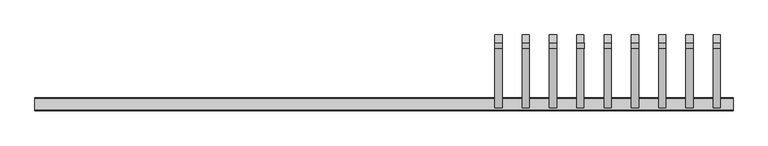
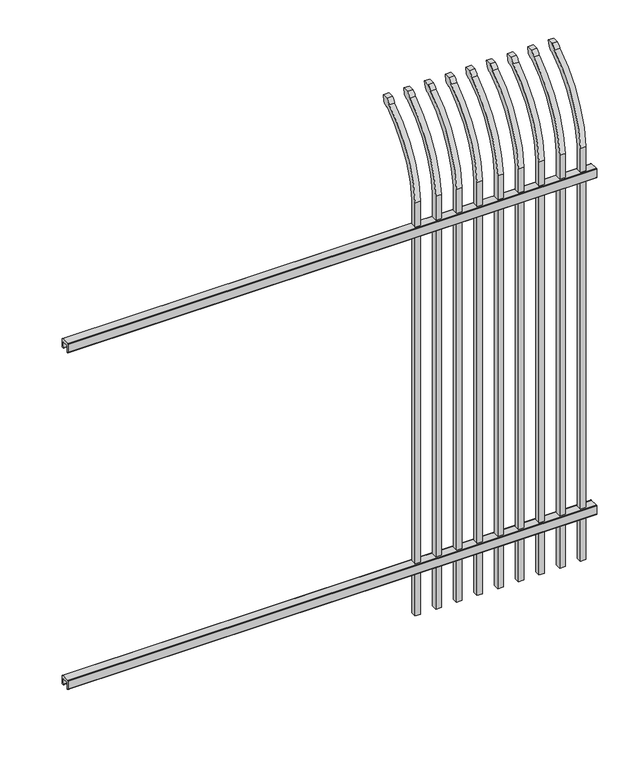
"""IFC4 building model written with IfcOpenShell, lengths in millimetres: railing geometry."""

from ifc_helpers import new_model, si_unit, point, frame, frame_2d, origin, place, context, project, spatial, polyline, circle_curve, ellipse_curve, trimmed, segment, composite_curve, outline, extrude, source, transform, mapped, element, save
from ifc_brep_helpers import plane_surface, cylinder_surface, revolved_surface, extruded_surface, advanced_brep


def railing_4a607707(model_context):
    return source(origin(), model_context, "Body", "SolidModel", [
        extrude(outline(composite_curve([segment(polyline([(11873.9139761, 304.8), (11911.969541, 304.8)]), True, "CONTINUOUS"), segment(trimmed(circle_curve(frame_2d((11911.969541, 301.625)), 3.175), [point((11911.969541, 304.8))], [point((11915.144541, 301.625))], False, "CARTESIAN"), True, "CONTINUOUS"), segment(polyline([(11915.144541, 301.625), (11915.144541, 262.1439893)]), True, "CONTINUOUS"), segment(trimmed(circle_curve(frame_2d((11913.3505518, 262.1439893)), 1.7939893), [point((11915.144541, 262.1439893))], [point((11913.3505518, 260.35))], False, "CARTESIAN"), True, "CONTINUOUS"), segment(polyline([(11913.3505518, 260.35), (11910.7590713, 260.35)]), True, "CONTINUOUS"), segment(trimmed(circle_curve(frame_2d((11910.7590713, 262.1359375)), 1.7859375), [point((11910.7590713, 260.35))], [point((11908.9755813, 262.0424688))], False, "CARTESIAN"), True, "CONTINUOUS"), segment(polyline([(11908.9755813, 262.0424688), (11907.4025867, 292.0569942), (11878.4364954, 292.0569942), (11876.8635007, 262.0424688)]), True, "CONTINUOUS"), segment(trimmed(circle_curve(frame_2d((11875.0800108, 262.1359375)), 1.7859375), [point((11876.8635007, 262.0424688))], [point((11875.0800108, 260.35))], False, "CARTESIAN"), True, "CONTINUOUS"), segment(polyline([(11875.0800108, 260.35), (11872.4804785, 260.35)]), True, "CONTINUOUS"), segment(trimmed(circle_curve(frame_2d((11872.4804785, 262.1359375)), 1.7859375), [point((11872.4804785, 260.35))], [point((11870.694541, 262.1359375))], False, "CARTESIAN"), True, "CONTINUOUS"), segment(polyline([(11870.694541, 262.1359375), (11870.694541, 301.5805649)]), True, "CONTINUOUS"), segment(trimmed(circle_curve(frame_2d((11873.9139761, 301.5805649)), 3.2194351), [point((11870.694541, 301.5805649))], [point((11873.9139761, 304.8))], False, "CARTESIAN"), True, "CONTINUOUS")], self_intersect=False)), frame((20019.7350064, 0.0, 0.0), z_axis=(1.0, 0.0, 0.0), x_axis=(0.0, 1.0, 0.0)), (0.0, 0.0, 1.0), 2438.4),
        extrude(outline(composite_curve([segment(polyline([(11873.9139761, 1946.275), (11911.969541, 1946.275)]), True, "CONTINUOUS"), segment(trimmed(circle_curve(frame_2d((11911.969541, 1943.1)), 3.175), [point((11911.969541, 1946.275))], [point((11915.144541, 1943.1))], False, "CARTESIAN"), True, "CONTINUOUS"), segment(polyline([(11915.144541, 1943.1), (11915.144541, 1903.6189893)]), True, "CONTINUOUS"), segment(trimmed(circle_curve(frame_2d((11913.3505518, 1903.6189893)), 1.7939893), [point((11915.144541, 1903.6189893))], [point((11913.3505518, 1901.825))], False, "CARTESIAN"), True, "CONTINUOUS"), segment(polyline([(11913.3505518, 1901.825), (11910.7590713, 1901.825)]), True, "CONTINUOUS"), segment(trimmed(circle_curve(frame_2d((11910.7590713, 1903.6109375)), 1.7859375), [point((11910.7590713, 1901.825))], [point((11908.9755813, 1903.5174688))], False, "CARTESIAN"), True, "CONTINUOUS"), segment(polyline([(11908.9755813, 1903.5174688), (11907.4025867, 1933.5319942), (11878.4364954, 1933.5319942), (11876.8635007, 1903.5174688)]), True, "CONTINUOUS"), segment(trimmed(circle_curve(frame_2d((11875.0800108, 1903.6109375)), 1.7859375), [point((11876.8635007, 1903.5174688))], [point((11875.0800108, 1901.825))], False, "CARTESIAN"), True, "CONTINUOUS"), segment(polyline([(11875.0800108, 1901.825), (11872.4804785, 1901.825)]), True, "CONTINUOUS"), segment(trimmed(circle_curve(frame_2d((11872.4804785, 1903.6109375)), 1.7859375), [point((11872.4804785, 1901.825))], [point((11870.694541, 1903.6109375))], False, "CARTESIAN"), True, "CONTINUOUS"), segment(polyline([(11870.694541, 1903.6109375), (11870.694541, 1943.0555649)]), True, "CONTINUOUS"), segment(trimmed(circle_curve(frame_2d((11873.9139761, 1943.0555649)), 3.2194351), [point((11870.694541, 1943.0555649))], [point((11873.9139761, 1946.275))], False, "CARTESIAN"), True, "CONTINUOUS")], self_intersect=False)), frame((20019.7350064, 0.0, 0.0), z_axis=(1.0, 0.0, 0.0), x_axis=(0.0, 1.0, 0.0)), (0.0, 0.0, 1.0), 2438.4),
        advanced_brep(
        [(22413.6850064, 11905.619541, 50.8), (22413.6850064, 11905.619541, 2063.9226889), (22413.6850064, 12102.7326851, 2396.1022378), (22413.6850064, 12129.2407099, 2410.7867549), (22413.6850064, 12135.1100864, 2438.4), (22413.6850064, 12106.8799449, 2438.4), (22413.6850064, 12087.4931591, 2417.4682561), (22413.6850064, 11880.219541, 2063.9226889), (22413.6850064, 11880.219541, 50.8), (22388.2850064, 11905.619541, 50.8), (22388.2850064, 11905.619541, 2063.9226889), (22388.2850064, 11880.219541, 2063.9226889), (22388.2850064, 11880.219541, 50.8), (22388.2850064, 12087.4931591, 2417.4682561), (22388.2850064, 12106.8799449, 2438.4), (22388.2850064, 12135.1100864, 2438.4), (22388.2850064, 12129.2407099, 2410.7867549), (22388.2850064, 12102.7326851, 2396.1022378)],
        [
            (0, 1),
            (1, 2, circle_curve(frame((22413.6850064, 12342.9874207, 2028.9640776), z_axis=(-1.0, 0.0, 0.0), x_axis=(0.0, 1.0, 0.0)), 438.7627681)),
            (2, 3, ellipse_curve(frame((22413.6850064, 12110.5579376, 2418.5180619), z_axis=(1.0, 0.0, 0.0), x_axis=(0.0, -0.7771459614569752, -0.6293203910498321)), 26.7460194, 19.05)),
            (3, 4),
            (4, 5),
            (5, 6, ellipse_curve(frame((22413.6850064, 12110.5579376, 2418.5180619), z_axis=(1.0, 0.0, 0.0), x_axis=(0.0, -0.7771459614569761, -0.6293203910498311)), 26.7460194, 19.05)),
            (6, 7, circle_curve(frame((22413.6850064, 12342.0333244, 2030.7065933), z_axis=(1.0, 0.0, 0.0), x_axis=(0.0, 1.0, 0.0)), 463.0067812)),
            (7, 8),
            (8, 0),
            (0, 9),
            (9, 10),
            (10, 1),
            (7, 11),
            (11, 12),
            (12, 8),
            (12, 9),
            (11, 13, circle_curve(frame((22388.2850064, 12342.0333244, 2030.7065933), z_axis=(-1.0, 0.0, 0.0), x_axis=(0.0, 1.0, 0.0)), 463.0067812)),
            (13, 14, ellipse_curve(frame((22388.2850064, 12110.5579376, 2418.5180619), z_axis=(-1.0, 0.0, 0.0), x_axis=(0.0, -0.7771459614569761, -0.6293203910498311)), 26.7460194, 19.05)),
            (14, 15),
            (15, 16),
            (16, 17, ellipse_curve(frame((22388.2850064, 12110.5579376, 2418.5180619), z_axis=(-1.0, 0.0, 0.0), x_axis=(0.0, -0.7771459614569752, -0.6293203910498321)), 26.7460194, 19.05)),
            (17, 10, circle_curve(frame((22388.2850064, 12342.9874207, 2028.9640776), z_axis=(1.0, 0.0, 0.0), x_axis=(0.0, 1.0, 0.0)), 438.7627681)),
            (17, 2),
            (16, 3),
            (15, 4),
            (14, 5),
            (13, 6),
        ],
        [
            plane_surface(frame((22413.6850064, 11905.619541, 50.8), z_axis=(1.0, 0.0, 0.0), x_axis=(0.0, 0.0, 1.0))),
            plane_surface(frame((22413.6850064, 11905.619541, 50.8), z_axis=(0.0, 1.0, 0.0), x_axis=(-1.0, 0.0, 0.0))),
            plane_surface(frame((22413.6850064, 11880.219541, 2063.9226889), z_axis=(0.0, -1.0, 0.0), x_axis=(-1.0, 0.0, 0.0))),
            plane_surface(frame((22413.6850064, 11880.219541, 50.8), z_axis=(0.0, 0.0, -1.0), x_axis=(-1.0, 0.0, 0.0))),
            plane_surface(frame((22388.2850064, 11905.619541, 50.8), z_axis=(-1.0, 0.0, 0.0), x_axis=(0.0, 0.0, -1.0))),
            revolved_surface(polyline([(22388.2850064, 12781.750188799999, 2028.9640776), (22413.6850064, 12781.750188799999, 2028.9640776)]), (22388.2850064, 12342.9874207, 2028.9640776), (-1.0, 0.0, 0.0)),
            extruded_surface(trimmed(ellipse_curve(frame((22362.8850064, 12110.5579376, 2418.5180619), z_axis=(1.0, 0.0, 0.0), x_axis=(0.0, -0.7771459614569752, -0.6293203910498321)), 26.7460194, 19.05), [point((22362.8850064, 12102.7326851, 2396.1022378))], [point((22362.8850064, 12129.2407099, 2410.7867549))], True, "CARTESIAN"), (25.400000000001455, 0.0, 0.0), 25.400000000001455),
            plane_surface(frame((22413.6850064, 12129.2407099, 2410.7867549), z_axis=(0.0, 0.9781476007338008, -0.20791169081778224), x_axis=(-1.0, 0.0, 0.0))),
            plane_surface(frame((22413.6850064, 12135.1100864, 2438.4), z_axis=(0.0, 0.0, 1.0), x_axis=(-1.0, 0.0, 0.0))),
            extruded_surface(trimmed(ellipse_curve(frame((22362.8850064, 12110.5579376, 2418.5180619), z_axis=(1.0, 0.0, 0.0), x_axis=(0.0, -0.7771459614569761, -0.6293203910498311)), 26.7460194, 19.05), [point((22362.8850064, 12106.8799449, 2438.4))], [point((22362.8850064, 12087.4931591, 2417.4682561))], True, "CARTESIAN"), (25.400000000001455, 0.0, 0.0), 25.400000000001455),
            cylinder_surface(frame((22388.2850064, 12342.0333244, 2030.7065933), z_axis=(1.0, 0.0, 0.0), x_axis=(0.0, 1.0, 0.0)), 463.0067812),
        ],
        [
            (0, [[1, 2, 3, 4, 5, 6, 7, 8, 9]]),
            (1, [[-1, 10, 11, 12]]),
            (2, [[-8, 13, 14, 15]]),
            (3, [[-9, -15, 16, -10]]),
            (4, [[-16, -14, 17, 18, 19, 20, 21, 22, -11]]),
            (5, [[-2, -12, -22, 23]]),
            (6, [[-3, -23, -21, 24]]),
            (7, [[-4, -24, -20, 25]]),
            (8, [[-5, -25, -19, 26]]),
            (9, [[-6, -26, -18, 27]]),
            (10, [[-7, -27, -17, -13]]),
        ],
    ),
        advanced_brep(
        [(22318.4350064, 11905.619541, 50.8), (22318.4350064, 11905.619541, 2063.9226889), (22318.4350064, 12102.7326851, 2396.1022378), (22318.4350064, 12129.2407099, 2410.7867549), (22318.4350064, 12135.1100864, 2438.4), (22318.4350064, 12106.8799449, 2438.4), (22318.4350064, 12087.4931591, 2417.4682561), (22318.4350064, 11880.219541, 2063.9226889), (22318.4350064, 11880.219541, 50.8), (22293.0350064, 11905.619541, 50.8), (22293.0350064, 11905.619541, 2063.9226889), (22293.0350064, 11880.219541, 2063.9226889), (22293.0350064, 11880.219541, 50.8), (22293.0350064, 12087.4931591, 2417.4682561), (22293.0350064, 12106.8799449, 2438.4), (22293.0350064, 12135.1100864, 2438.4), (22293.0350064, 12129.2407099, 2410.7867549), (22293.0350064, 12102.7326851, 2396.1022378)],
        [
            (0, 1),
            (1, 2, circle_curve(frame((22318.4350064, 12342.9874207, 2028.9640776), z_axis=(-1.0, 0.0, 0.0), x_axis=(0.0, 1.0, 0.0)), 438.7627681)),
            (2, 3, ellipse_curve(frame((22318.4350064, 12110.5579376, 2418.5180619), z_axis=(1.0, 0.0, 0.0), x_axis=(0.0, -0.7771459614569752, -0.6293203910498321)), 26.7460194, 19.05)),
            (3, 4),
            (4, 5),
            (5, 6, ellipse_curve(frame((22318.4350064, 12110.5579376, 2418.5180619), z_axis=(1.0, 0.0, 0.0), x_axis=(0.0, -0.7771459614569761, -0.6293203910498311)), 26.7460194, 19.05)),
            (6, 7, circle_curve(frame((22318.4350064, 12342.0333244, 2030.7065933), z_axis=(1.0, 0.0, 0.0), x_axis=(0.0, 1.0, 0.0)), 463.0067812)),
            (7, 8),
            (8, 0),
            (0, 9),
            (9, 10),
            (10, 1),
            (7, 11),
            (11, 12),
            (12, 8),
            (12, 9),
            (11, 13, circle_curve(frame((22293.0350064, 12342.0333244, 2030.7065933), z_axis=(-1.0, 0.0, 0.0), x_axis=(0.0, 1.0, 0.0)), 463.0067812)),
            (13, 14, ellipse_curve(frame((22293.0350064, 12110.5579376, 2418.5180619), z_axis=(-1.0, 0.0, 0.0), x_axis=(0.0, -0.7771459614569761, -0.6293203910498311)), 26.7460194, 19.05)),
            (14, 15),
            (15, 16),
            (16, 17, ellipse_curve(frame((22293.0350064, 12110.5579376, 2418.5180619), z_axis=(-1.0, 0.0, 0.0), x_axis=(0.0, -0.7771459614569752, -0.6293203910498321)), 26.7460194, 19.05)),
            (17, 10, circle_curve(frame((22293.0350064, 12342.9874207, 2028.9640776), z_axis=(1.0, 0.0, 0.0), x_axis=(0.0, 1.0, 0.0)), 438.7627681)),
            (17, 2),
            (16, 3),
            (15, 4),
            (14, 5),
            (13, 6),
        ],
        [
            plane_surface(frame((22318.4350064, 11905.619541, 50.8), z_axis=(1.0, 0.0, 0.0), x_axis=(0.0, 0.0, 1.0))),
            plane_surface(frame((22318.4350064, 11905.619541, 50.8), z_axis=(0.0, 1.0, 0.0), x_axis=(-1.0, 0.0, 0.0))),
            plane_surface(frame((22318.4350064, 11880.219541, 2063.9226889), z_axis=(0.0, -1.0, 0.0), x_axis=(-1.0, 0.0, 0.0))),
            plane_surface(frame((22318.4350064, 11880.219541, 50.8), z_axis=(0.0, 0.0, -1.0), x_axis=(-1.0, 0.0, 0.0))),
            plane_surface(frame((22293.0350064, 11905.619541, 50.8), z_axis=(-1.0, 0.0, 0.0), x_axis=(0.0, 0.0, -1.0))),
            revolved_surface(polyline([(22293.0350064, 12781.750188799999, 2028.9640776), (22318.4350064, 12781.750188799999, 2028.9640776)]), (22293.0350064, 12342.9874207, 2028.9640776), (-1.0, 0.0, 0.0)),
            extruded_surface(trimmed(ellipse_curve(frame((22267.6350064, 12110.5579376, 2418.5180619), z_axis=(1.0, 0.0, 0.0), x_axis=(0.0, -0.7771459614569752, -0.6293203910498321)), 26.7460194, 19.05), [point((22267.6350064, 12102.7326851, 2396.1022378))], [point((22267.6350064, 12129.2407099, 2410.7867549))], True, "CARTESIAN"), (25.400000000001455, 0.0, 0.0), 25.400000000001455),
            plane_surface(frame((22318.4350064, 12129.2407099, 2410.7867549), z_axis=(0.0, 0.9781476007338008, -0.20791169081778224), x_axis=(-1.0, 0.0, 0.0))),
            plane_surface(frame((22318.4350064, 12135.1100864, 2438.4), z_axis=(0.0, 0.0, 1.0), x_axis=(-1.0, 0.0, 0.0))),
            extruded_surface(trimmed(ellipse_curve(frame((22267.6350064, 12110.5579376, 2418.5180619), z_axis=(1.0, 0.0, 0.0), x_axis=(0.0, -0.7771459614569761, -0.6293203910498311)), 26.7460194, 19.05), [point((22267.6350064, 12106.8799449, 2438.4))], [point((22267.6350064, 12087.4931591, 2417.4682561))], True, "CARTESIAN"), (25.400000000001455, 0.0, 0.0), 25.400000000001455),
            cylinder_surface(frame((22293.0350064, 12342.0333244, 2030.7065933), z_axis=(1.0, 0.0, 0.0), x_axis=(0.0, 1.0, 0.0)), 463.0067812),
        ],
        [
            (0, [[1, 2, 3, 4, 5, 6, 7, 8, 9]]),
            (1, [[-1, 10, 11, 12]]),
            (2, [[-8, 13, 14, 15]]),
            (3, [[-9, -15, 16, -10]]),
            (4, [[-16, -14, 17, 18, 19, 20, 21, 22, -11]]),
            (5, [[-2, -12, -22, 23]]),
            (6, [[-3, -23, -21, 24]]),
            (7, [[-4, -24, -20, 25]]),
            (8, [[-5, -25, -19, 26]]),
            (9, [[-6, -26, -18, 27]]),
            (10, [[-7, -27, -17, -13]]),
        ],
    ),
        advanced_brep(
        [(22223.1850064, 11905.619541, 50.8), (22223.1850064, 11905.619541, 2063.9226889), (22223.1850064, 12102.7326851, 2396.1022378), (22223.1850064, 12129.2407099, 2410.7867549), (22223.1850064, 12135.1100864, 2438.4), (22223.1850064, 12106.8799449, 2438.4), (22223.1850064, 12087.4931591, 2417.4682561), (22223.1850064, 11880.219541, 2063.9226889), (22223.1850064, 11880.219541, 50.8), (22197.7850064, 11905.619541, 50.8), (22197.7850064, 11905.619541, 2063.9226889), (22197.7850064, 11880.219541, 2063.9226889), (22197.7850064, 11880.219541, 50.8), (22197.7850064, 12087.4931591, 2417.4682561), (22197.7850064, 12106.8799449, 2438.4), (22197.7850064, 12135.1100864, 2438.4), (22197.7850064, 12129.2407099, 2410.7867549), (22197.7850064, 12102.7326851, 2396.1022378)],
        [
            (0, 1),
            (1, 2, circle_curve(frame((22223.1850064, 12342.9874207, 2028.9640776), z_axis=(-1.0, 0.0, 0.0), x_axis=(0.0, 1.0, 0.0)), 438.7627681)),
            (2, 3, ellipse_curve(frame((22223.1850064, 12110.5579376, 2418.5180619), z_axis=(1.0, 0.0, 0.0), x_axis=(0.0, -0.7771459614569752, -0.6293203910498321)), 26.7460194, 19.05)),
            (3, 4),
            (4, 5),
            (5, 6, ellipse_curve(frame((22223.1850064, 12110.5579376, 2418.5180619), z_axis=(1.0, 0.0, 0.0), x_axis=(0.0, -0.7771459614569761, -0.6293203910498311)), 26.7460194, 19.05)),
            (6, 7, circle_curve(frame((22223.1850064, 12342.0333244, 2030.7065933), z_axis=(1.0, 0.0, 0.0), x_axis=(0.0, 1.0, 0.0)), 463.0067812)),
            (7, 8),
            (8, 0),
            (0, 9),
            (9, 10),
            (10, 1),
            (7, 11),
            (11, 12),
            (12, 8),
            (12, 9),
            (11, 13, circle_curve(frame((22197.7850064, 12342.0333244, 2030.7065933), z_axis=(-1.0, 0.0, 0.0), x_axis=(0.0, 1.0, 0.0)), 463.0067812)),
            (13, 14, ellipse_curve(frame((22197.7850064, 12110.5579376, 2418.5180619), z_axis=(-1.0, 0.0, 0.0), x_axis=(0.0, -0.7771459614569761, -0.6293203910498311)), 26.7460194, 19.05)),
            (14, 15),
            (15, 16),
            (16, 17, ellipse_curve(frame((22197.7850064, 12110.5579376, 2418.5180619), z_axis=(-1.0, 0.0, 0.0), x_axis=(0.0, -0.7771459614569752, -0.6293203910498321)), 26.7460194, 19.05)),
            (17, 10, circle_curve(frame((22197.7850064, 12342.9874207, 2028.9640776), z_axis=(1.0, 0.0, 0.0), x_axis=(0.0, 1.0, 0.0)), 438.7627681)),
            (17, 2),
            (16, 3),
            (15, 4),
            (14, 5),
            (13, 6),
        ],
        [
            plane_surface(frame((22223.1850064, 11905.619541, 50.8), z_axis=(1.0, 0.0, 0.0), x_axis=(0.0, 0.0, 1.0))),
            plane_surface(frame((22223.1850064, 11905.619541, 50.8), z_axis=(0.0, 1.0, 0.0), x_axis=(-1.0, 0.0, 0.0))),
            plane_surface(frame((22223.1850064, 11880.219541, 2063.9226889), z_axis=(0.0, -1.0, 0.0), x_axis=(-1.0, 0.0, 0.0))),
            plane_surface(frame((22223.1850064, 11880.219541, 50.8), z_axis=(0.0, 0.0, -1.0), x_axis=(-1.0, 0.0, 0.0))),
            plane_surface(frame((22197.7850064, 11905.619541, 50.8), z_axis=(-1.0, 0.0, 0.0), x_axis=(0.0, 0.0, -1.0))),
            revolved_surface(polyline([(22197.7850064, 12781.750188799999, 2028.9640776), (22223.1850064, 12781.750188799999, 2028.9640776)]), (22197.7850064, 12342.9874207, 2028.9640776), (-1.0, 0.0, 0.0)),
            extruded_surface(trimmed(ellipse_curve(frame((22172.3850064, 12110.5579376, 2418.5180619), z_axis=(1.0, 0.0, 0.0), x_axis=(0.0, -0.7771459614569752, -0.6293203910498321)), 26.7460194, 19.05), [point((22172.3850064, 12102.7326851, 2396.1022378))], [point((22172.3850064, 12129.2407099, 2410.7867549))], True, "CARTESIAN"), (25.400000000001455, 0.0, 0.0), 25.400000000001455),
            plane_surface(frame((22223.1850064, 12129.2407099, 2410.7867549), z_axis=(0.0, 0.9781476007338008, -0.20791169081778224), x_axis=(-1.0, 0.0, 0.0))),
            plane_surface(frame((22223.1850064, 12135.1100864, 2438.4), z_axis=(0.0, 0.0, 1.0), x_axis=(-1.0, 0.0, 0.0))),
            extruded_surface(trimmed(ellipse_curve(frame((22172.3850064, 12110.5579376, 2418.5180619), z_axis=(1.0, 0.0, 0.0), x_axis=(0.0, -0.7771459614569761, -0.6293203910498311)), 26.7460194, 19.05), [point((22172.3850064, 12106.8799449, 2438.4))], [point((22172.3850064, 12087.4931591, 2417.4682561))], True, "CARTESIAN"), (25.400000000001455, 0.0, 0.0), 25.400000000001455),
            cylinder_surface(frame((22197.7850064, 12342.0333244, 2030.7065933), z_axis=(1.0, 0.0, 0.0), x_axis=(0.0, 1.0, 0.0)), 463.0067812),
        ],
        [
            (0, [[1, 2, 3, 4, 5, 6, 7, 8, 9]]),
            (1, [[-1, 10, 11, 12]]),
            (2, [[-8, 13, 14, 15]]),
            (3, [[-9, -15, 16, -10]]),
            (4, [[-16, -14, 17, 18, 19, 20, 21, 22, -11]]),
            (5, [[-2, -12, -22, 23]]),
            (6, [[-3, -23, -21, 24]]),
            (7, [[-4, -24, -20, 25]]),
            (8, [[-5, -25, -19, 26]]),
            (9, [[-6, -26, -18, 27]]),
            (10, [[-7, -27, -17, -13]]),
        ],
    ),
        advanced_brep(
        [(22127.9350064, 11905.619541, 50.8), (22127.9350064, 11905.619541, 2063.9226889), (22127.9350064, 12102.7326851, 2396.1022378), (22127.9350064, 12129.2407099, 2410.7867549), (22127.9350064, 12135.1100864, 2438.4), (22127.9350064, 12106.8799449, 2438.4), (22127.9350064, 12087.4931591, 2417.4682561), (22127.9350064, 11880.219541, 2063.9226889), (22127.9350064, 11880.219541, 50.8), (22102.5350064, 11905.619541, 50.8), (22102.5350064, 11905.619541, 2063.9226889), (22102.5350064, 11880.219541, 2063.9226889), (22102.5350064, 11880.219541, 50.8), (22102.5350064, 12087.4931591, 2417.4682561), (22102.5350064, 12106.8799449, 2438.4), (22102.5350064, 12135.1100864, 2438.4), (22102.5350064, 12129.2407099, 2410.7867549), (22102.5350064, 12102.7326851, 2396.1022378)],
        [
            (0, 1),
            (1, 2, circle_curve(frame((22127.9350064, 12342.9874207, 2028.9640776), z_axis=(-1.0, 0.0, 0.0), x_axis=(0.0, 1.0, 0.0)), 438.7627681)),
            (2, 3, ellipse_curve(frame((22127.9350064, 12110.5579376, 2418.5180619), z_axis=(1.0, 0.0, 0.0), x_axis=(0.0, -0.7771459614569752, -0.6293203910498321)), 26.7460194, 19.05)),
            (3, 4),
            (4, 5),
            (5, 6, ellipse_curve(frame((22127.9350064, 12110.5579376, 2418.5180619), z_axis=(1.0, 0.0, 0.0), x_axis=(0.0, -0.7771459614569761, -0.6293203910498311)), 26.7460194, 19.05)),
            (6, 7, circle_curve(frame((22127.9350064, 12342.0333244, 2030.7065933), z_axis=(1.0, 0.0, 0.0), x_axis=(0.0, 1.0, 0.0)), 463.0067812)),
            (7, 8),
            (8, 0),
            (0, 9),
            (9, 10),
            (10, 1),
            (7, 11),
            (11, 12),
            (12, 8),
            (12, 9),
            (11, 13, circle_curve(frame((22102.5350064, 12342.0333244, 2030.7065933), z_axis=(-1.0, 0.0, 0.0), x_axis=(0.0, 1.0, 0.0)), 463.0067812)),
            (13, 14, ellipse_curve(frame((22102.5350064, 12110.5579376, 2418.5180619), z_axis=(-1.0, 0.0, 0.0), x_axis=(0.0, -0.7771459614569761, -0.6293203910498311)), 26.7460194, 19.05)),
            (14, 15),
            (15, 16),
            (16, 17, ellipse_curve(frame((22102.5350064, 12110.5579376, 2418.5180619), z_axis=(-1.0, 0.0, 0.0), x_axis=(0.0, -0.7771459614569752, -0.6293203910498321)), 26.7460194, 19.05)),
            (17, 10, circle_curve(frame((22102.5350064, 12342.9874207, 2028.9640776), z_axis=(1.0, 0.0, 0.0), x_axis=(0.0, 1.0, 0.0)), 438.7627681)),
            (17, 2),
            (16, 3),
            (15, 4),
            (14, 5),
            (13, 6),
        ],
        [
            plane_surface(frame((22127.9350064, 11905.619541, 50.8), z_axis=(1.0, 0.0, 0.0), x_axis=(0.0, 0.0, 1.0))),
            plane_surface(frame((22127.9350064, 11905.619541, 50.8), z_axis=(0.0, 1.0, 0.0), x_axis=(-1.0, 0.0, 0.0))),
            plane_surface(frame((22127.9350064, 11880.219541, 2063.9226889), z_axis=(0.0, -1.0, 0.0), x_axis=(-1.0, 0.0, 0.0))),
            plane_surface(frame((22127.9350064, 11880.219541, 50.8), z_axis=(0.0, 0.0, -1.0), x_axis=(-1.0, 0.0, 0.0))),
            plane_surface(frame((22102.5350064, 11905.619541, 50.8), z_axis=(-1.0, 0.0, 0.0), x_axis=(0.0, 0.0, -1.0))),
            revolved_surface(polyline([(22102.5350064, 12781.750188799999, 2028.9640776), (22127.9350064, 12781.750188799999, 2028.9640776)]), (22102.5350064, 12342.9874207, 2028.9640776), (-1.0, 0.0, 0.0)),
            extruded_surface(trimmed(ellipse_curve(frame((22077.1350064, 12110.5579376, 2418.5180619), z_axis=(1.0, 0.0, 0.0), x_axis=(0.0, -0.7771459614569752, -0.6293203910498321)), 26.7460194, 19.05), [point((22077.1350064, 12102.7326851, 2396.1022378))], [point((22077.1350064, 12129.2407099, 2410.7867549))], True, "CARTESIAN"), (25.400000000001455, 0.0, 0.0), 25.400000000001455),
            plane_surface(frame((22127.9350064, 12129.2407099, 2410.7867549), z_axis=(0.0, 0.9781476007338008, -0.20791169081778224), x_axis=(-1.0, 0.0, 0.0))),
            plane_surface(frame((22127.9350064, 12135.1100864, 2438.4), z_axis=(0.0, 0.0, 1.0), x_axis=(-1.0, 0.0, 0.0))),
            extruded_surface(trimmed(ellipse_curve(frame((22077.1350064, 12110.5579376, 2418.5180619), z_axis=(1.0, 0.0, 0.0), x_axis=(0.0, -0.7771459614569761, -0.6293203910498311)), 26.7460194, 19.05), [point((22077.1350064, 12106.8799449, 2438.4))], [point((22077.1350064, 12087.4931591, 2417.4682561))], True, "CARTESIAN"), (25.400000000001455, 0.0, 0.0), 25.400000000001455),
            cylinder_surface(frame((22102.5350064, 12342.0333244, 2030.7065933), z_axis=(1.0, 0.0, 0.0), x_axis=(0.0, 1.0, 0.0)), 463.0067812),
        ],
        [
            (0, [[1, 2, 3, 4, 5, 6, 7, 8, 9]]),
            (1, [[-1, 10, 11, 12]]),
            (2, [[-8, 13, 14, 15]]),
            (3, [[-9, -15, 16, -10]]),
            (4, [[-16, -14, 17, 18, 19, 20, 21, 22, -11]]),
            (5, [[-2, -12, -22, 23]]),
            (6, [[-3, -23, -21, 24]]),
            (7, [[-4, -24, -20, 25]]),
            (8, [[-5, -25, -19, 26]]),
            (9, [[-6, -26, -18, 27]]),
            (10, [[-7, -27, -17, -13]]),
        ],
    ),
        advanced_brep(
        [(22032.6850064, 11905.619541, 50.8), (22032.6850064, 11905.619541, 2063.9226889), (22032.6850064, 12102.7326851, 2396.1022378), (22032.6850064, 12129.2407099, 2410.7867549), (22032.6850064, 12135.1100864, 2438.4), (22032.6850064, 12106.8799449, 2438.4), (22032.6850064, 12087.4931591, 2417.4682561), (22032.6850064, 11880.219541, 2063.9226889), (22032.6850064, 11880.219541, 50.8), (22007.2850064, 11905.619541, 50.8), (22007.2850064, 11905.619541, 2063.9226889), (22007.2850064, 11880.219541, 2063.9226889), (22007.2850064, 11880.219541, 50.8), (22007.2850064, 12087.4931591, 2417.4682561), (22007.2850064, 12106.8799449, 2438.4), (22007.2850064, 12135.1100864, 2438.4), (22007.2850064, 12129.2407099, 2410.7867549), (22007.2850064, 12102.7326851, 2396.1022378)],
        [
            (0, 1),
            (1, 2, circle_curve(frame((22032.6850064, 12342.9874207, 2028.9640776), z_axis=(-1.0, 0.0, 0.0), x_axis=(0.0, 1.0, 0.0)), 438.7627681)),
            (2, 3, ellipse_curve(frame((22032.6850064, 12110.5579376, 2418.5180619), z_axis=(1.0, 0.0, 0.0), x_axis=(0.0, -0.7771459614569752, -0.6293203910498321)), 26.7460194, 19.05)),
            (3, 4),
            (4, 5),
            (5, 6, ellipse_curve(frame((22032.6850064, 12110.5579376, 2418.5180619), z_axis=(1.0, 0.0, 0.0), x_axis=(0.0, -0.7771459614569761, -0.6293203910498311)), 26.7460194, 19.05)),
            (6, 7, circle_curve(frame((22032.6850064, 12342.0333244, 2030.7065933), z_axis=(1.0, 0.0, 0.0), x_axis=(0.0, 1.0, 0.0)), 463.0067812)),
            (7, 8),
            (8, 0),
            (0, 9),
            (9, 10),
            (10, 1),
            (7, 11),
            (11, 12),
            (12, 8),
            (12, 9),
            (11, 13, circle_curve(frame((22007.2850064, 12342.0333244, 2030.7065933), z_axis=(-1.0, 0.0, 0.0), x_axis=(0.0, 1.0, 0.0)), 463.0067812)),
            (13, 14, ellipse_curve(frame((22007.2850064, 12110.5579376, 2418.5180619), z_axis=(-1.0, 0.0, 0.0), x_axis=(0.0, -0.7771459614569761, -0.6293203910498311)), 26.7460194, 19.05)),
            (14, 15),
            (15, 16),
            (16, 17, ellipse_curve(frame((22007.2850064, 12110.5579376, 2418.5180619), z_axis=(-1.0, 0.0, 0.0), x_axis=(0.0, -0.7771459614569752, -0.6293203910498321)), 26.7460194, 19.05)),
            (17, 10, circle_curve(frame((22007.2850064, 12342.9874207, 2028.9640776), z_axis=(1.0, 0.0, 0.0), x_axis=(0.0, 1.0, 0.0)), 438.7627681)),
            (17, 2),
            (16, 3),
            (15, 4),
            (14, 5),
            (13, 6),
        ],
        [
            plane_surface(frame((22032.6850064, 11905.619541, 50.8), z_axis=(1.0, 0.0, 0.0), x_axis=(0.0, 0.0, 1.0))),
            plane_surface(frame((22032.6850064, 11905.619541, 50.8), z_axis=(0.0, 1.0, 0.0), x_axis=(-1.0, 0.0, 0.0))),
            plane_surface(frame((22032.6850064, 11880.219541, 2063.9226889), z_axis=(0.0, -1.0, 0.0), x_axis=(-1.0, 0.0, 0.0))),
            plane_surface(frame((22032.6850064, 11880.219541, 50.8), z_axis=(0.0, 0.0, -1.0), x_axis=(-1.0, 0.0, 0.0))),
            plane_surface(frame((22007.2850064, 11905.619541, 50.8), z_axis=(-1.0, 0.0, 0.0), x_axis=(0.0, 0.0, -1.0))),
            revolved_surface(polyline([(22007.2850064, 12781.750188799999, 2028.9640776), (22032.6850064, 12781.750188799999, 2028.9640776)]), (22007.2850064, 12342.9874207, 2028.9640776), (-1.0, 0.0, 0.0)),
            extruded_surface(trimmed(ellipse_curve(frame((21981.8850064, 12110.5579376, 2418.5180619), z_axis=(1.0, 0.0, 0.0), x_axis=(0.0, -0.7771459614569752, -0.6293203910498321)), 26.7460194, 19.05), [point((21981.8850064, 12102.7326851, 2396.1022378))], [point((21981.8850064, 12129.2407099, 2410.7867549))], True, "CARTESIAN"), (25.400000000001455, 0.0, 0.0), 25.400000000001455),
            plane_surface(frame((22032.6850064, 12129.2407099, 2410.7867549), z_axis=(0.0, 0.9781476007338008, -0.20791169081778224), x_axis=(-1.0, 0.0, 0.0))),
            plane_surface(frame((22032.6850064, 12135.1100864, 2438.4), z_axis=(0.0, 0.0, 1.0), x_axis=(-1.0, 0.0, 0.0))),
            extruded_surface(trimmed(ellipse_curve(frame((21981.8850064, 12110.5579376, 2418.5180619), z_axis=(1.0, 0.0, 0.0), x_axis=(0.0, -0.7771459614569761, -0.6293203910498311)), 26.7460194, 19.05), [point((21981.8850064, 12106.8799449, 2438.4))], [point((21981.8850064, 12087.4931591, 2417.4682561))], True, "CARTESIAN"), (25.400000000001455, 0.0, 0.0), 25.400000000001455),
            cylinder_surface(frame((22007.2850064, 12342.0333244, 2030.7065933), z_axis=(1.0, 0.0, 0.0), x_axis=(0.0, 1.0, 0.0)), 463.0067812),
        ],
        [
            (0, [[1, 2, 3, 4, 5, 6, 7, 8, 9]]),
            (1, [[-1, 10, 11, 12]]),
            (2, [[-8, 13, 14, 15]]),
            (3, [[-9, -15, 16, -10]]),
            (4, [[-16, -14, 17, 18, 19, 20, 21, 22, -11]]),
            (5, [[-2, -12, -22, 23]]),
            (6, [[-3, -23, -21, 24]]),
            (7, [[-4, -24, -20, 25]]),
            (8, [[-5, -25, -19, 26]]),
            (9, [[-6, -26, -18, 27]]),
            (10, [[-7, -27, -17, -13]]),
        ],
    ),
        advanced_brep(
        [(21937.4350064, 11905.619541, 50.8), (21937.4350064, 11905.619541, 2063.9226889), (21937.4350064, 12102.7326851, 2396.1022378), (21937.4350064, 12129.2407099, 2410.7867549), (21937.4350064, 12135.1100864, 2438.4), (21937.4350064, 12106.8799449, 2438.4), (21937.4350064, 12087.4931591, 2417.4682561), (21937.4350064, 11880.219541, 2063.9226889), (21937.4350064, 11880.219541, 50.8), (21912.0350064, 11905.619541, 50.8), (21912.0350064, 11905.619541, 2063.9226889), (21912.0350064, 11880.219541, 2063.9226889), (21912.0350064, 11880.219541, 50.8), (21912.0350064, 12087.4931591, 2417.4682561), (21912.0350064, 12106.8799449, 2438.4), (21912.0350064, 12135.1100864, 2438.4), (21912.0350064, 12129.2407099, 2410.7867549), (21912.0350064, 12102.7326851, 2396.1022378)],
        [
            (0, 1),
            (1, 2, circle_curve(frame((21937.4350064, 12342.9874207, 2028.9640776), z_axis=(-1.0, 0.0, 0.0), x_axis=(0.0, 1.0, 0.0)), 438.7627681)),
            (2, 3, ellipse_curve(frame((21937.4350064, 12110.5579376, 2418.5180619), z_axis=(1.0, 0.0, 0.0), x_axis=(0.0, -0.7771459614569752, -0.6293203910498321)), 26.7460194, 19.05)),
            (3, 4),
            (4, 5),
            (5, 6, ellipse_curve(frame((21937.4350064, 12110.5579376, 2418.5180619), z_axis=(1.0, 0.0, 0.0), x_axis=(0.0, -0.7771459614569761, -0.6293203910498311)), 26.7460194, 19.05)),
            (6, 7, circle_curve(frame((21937.4350064, 12342.0333244, 2030.7065933), z_axis=(1.0, 0.0, 0.0), x_axis=(0.0, 1.0, 0.0)), 463.0067812)),
            (7, 8),
            (8, 0),
            (0, 9),
            (9, 10),
            (10, 1),
            (7, 11),
            (11, 12),
            (12, 8),
            (12, 9),
            (11, 13, circle_curve(frame((21912.0350064, 12342.0333244, 2030.7065933), z_axis=(-1.0, 0.0, 0.0), x_axis=(0.0, 1.0, 0.0)), 463.0067812)),
            (13, 14, ellipse_curve(frame((21912.0350064, 12110.5579376, 2418.5180619), z_axis=(-1.0, 0.0, 0.0), x_axis=(0.0, -0.7771459614569761, -0.6293203910498311)), 26.7460194, 19.05)),
            (14, 15),
            (15, 16),
            (16, 17, ellipse_curve(frame((21912.0350064, 12110.5579376, 2418.5180619), z_axis=(-1.0, 0.0, 0.0), x_axis=(0.0, -0.7771459614569752, -0.6293203910498321)), 26.7460194, 19.05)),
            (17, 10, circle_curve(frame((21912.0350064, 12342.9874207, 2028.9640776), z_axis=(1.0, 0.0, 0.0), x_axis=(0.0, 1.0, 0.0)), 438.7627681)),
            (17, 2),
            (16, 3),
            (15, 4),
            (14, 5),
            (13, 6),
        ],
        [
            plane_surface(frame((21937.4350064, 11905.619541, 50.8), z_axis=(1.0, 0.0, 0.0), x_axis=(0.0, 0.0, 1.0))),
            plane_surface(frame((21937.4350064, 11905.619541, 50.8), z_axis=(0.0, 1.0, 0.0), x_axis=(-1.0, 0.0, 0.0))),
            plane_surface(frame((21937.4350064, 11880.219541, 2063.9226889), z_axis=(0.0, -1.0, 0.0), x_axis=(-1.0, 0.0, 0.0))),
            plane_surface(frame((21937.4350064, 11880.219541, 50.8), z_axis=(0.0, 0.0, -1.0), x_axis=(-1.0, 0.0, 0.0))),
            plane_surface(frame((21912.0350064, 11905.619541, 50.8), z_axis=(-1.0, 0.0, 0.0), x_axis=(0.0, 0.0, -1.0))),
            revolved_surface(polyline([(21912.0350064, 12781.750188799999, 2028.9640776), (21937.4350064, 12781.750188799999, 2028.9640776)]), (21912.0350064, 12342.9874207, 2028.9640776), (-1.0, 0.0, 0.0)),
            extruded_surface(trimmed(ellipse_curve(frame((21886.6350064, 12110.5579376, 2418.5180619), z_axis=(1.0, 0.0, 0.0), x_axis=(0.0, -0.7771459614569752, -0.6293203910498321)), 26.7460194, 19.05), [point((21886.6350064, 12102.7326851, 2396.1022378))], [point((21886.6350064, 12129.2407099, 2410.7867549))], True, "CARTESIAN"), (25.400000000001455, 0.0, 0.0), 25.400000000001455),
            plane_surface(frame((21937.4350064, 12129.2407099, 2410.7867549), z_axis=(0.0, 0.9781476007338008, -0.20791169081778224), x_axis=(-1.0, 0.0, 0.0))),
            plane_surface(frame((21937.4350064, 12135.1100864, 2438.4), z_axis=(0.0, 0.0, 1.0), x_axis=(-1.0, 0.0, 0.0))),
            extruded_surface(trimmed(ellipse_curve(frame((21886.6350064, 12110.5579376, 2418.5180619), z_axis=(1.0, 0.0, 0.0), x_axis=(0.0, -0.7771459614569761, -0.6293203910498311)), 26.7460194, 19.05), [point((21886.6350064, 12106.8799449, 2438.4))], [point((21886.6350064, 12087.4931591, 2417.4682561))], True, "CARTESIAN"), (25.400000000001455, 0.0, 0.0), 25.400000000001455),
            cylinder_surface(frame((21912.0350064, 12342.0333244, 2030.7065933), z_axis=(1.0, 0.0, 0.0), x_axis=(0.0, 1.0, 0.0)), 463.0067812),
        ],
        [
            (0, [[1, 2, 3, 4, 5, 6, 7, 8, 9]]),
            (1, [[-1, 10, 11, 12]]),
            (2, [[-8, 13, 14, 15]]),
            (3, [[-9, -15, 16, -10]]),
            (4, [[-16, -14, 17, 18, 19, 20, 21, 22, -11]]),
            (5, [[-2, -12, -22, 23]]),
            (6, [[-3, -23, -21, 24]]),
            (7, [[-4, -24, -20, 25]]),
            (8, [[-5, -25, -19, 26]]),
            (9, [[-6, -26, -18, 27]]),
            (10, [[-7, -27, -17, -13]]),
        ],
    ),
        advanced_brep(
        [(21842.1850064, 11905.619541, 50.8), (21842.1850064, 11905.619541, 2063.9226889), (21842.1850064, 12102.7326851, 2396.1022378), (21842.1850064, 12129.2407099, 2410.7867549), (21842.1850064, 12135.1100864, 2438.4), (21842.1850064, 12106.8799449, 2438.4), (21842.1850064, 12087.4931591, 2417.4682561), (21842.1850064, 11880.219541, 2063.9226889), (21842.1850064, 11880.219541, 50.8), (21816.7850064, 11905.619541, 50.8), (21816.7850064, 11905.619541, 2063.9226889), (21816.7850064, 11880.219541, 2063.9226889), (21816.7850064, 11880.219541, 50.8), (21816.7850064, 12087.4931591, 2417.4682561), (21816.7850064, 12106.8799449, 2438.4), (21816.7850064, 12135.1100864, 2438.4), (21816.7850064, 12129.2407099, 2410.7867549), (21816.7850064, 12102.7326851, 2396.1022378)],
        [
            (0, 1),
            (1, 2, circle_curve(frame((21842.1850064, 12342.9874207, 2028.9640776), z_axis=(-1.0, 0.0, 0.0), x_axis=(0.0, 1.0, 0.0)), 438.7627681)),
            (2, 3, ellipse_curve(frame((21842.1850064, 12110.5579376, 2418.5180619), z_axis=(1.0, 0.0, 0.0), x_axis=(0.0, -0.7771459614569752, -0.6293203910498321)), 26.7460194, 19.05)),
            (3, 4),
            (4, 5),
            (5, 6, ellipse_curve(frame((21842.1850064, 12110.5579376, 2418.5180619), z_axis=(1.0, 0.0, 0.0), x_axis=(0.0, -0.7771459614569761, -0.6293203910498311)), 26.7460194, 19.05)),
            (6, 7, circle_curve(frame((21842.1850064, 12342.0333244, 2030.7065933), z_axis=(1.0, 0.0, 0.0), x_axis=(0.0, 1.0, 0.0)), 463.0067812)),
            (7, 8),
            (8, 0),
            (0, 9),
            (9, 10),
            (10, 1),
            (7, 11),
            (11, 12),
            (12, 8),
            (12, 9),
            (11, 13, circle_curve(frame((21816.7850064, 12342.0333244, 2030.7065933), z_axis=(-1.0, 0.0, 0.0), x_axis=(0.0, 1.0, 0.0)), 463.0067812)),
            (13, 14, ellipse_curve(frame((21816.7850064, 12110.5579376, 2418.5180619), z_axis=(-1.0, 0.0, 0.0), x_axis=(0.0, -0.7771459614569761, -0.6293203910498311)), 26.7460194, 19.05)),
            (14, 15),
            (15, 16),
            (16, 17, ellipse_curve(frame((21816.7850064, 12110.5579376, 2418.5180619), z_axis=(-1.0, 0.0, 0.0), x_axis=(0.0, -0.7771459614569752, -0.6293203910498321)), 26.7460194, 19.05)),
            (17, 10, circle_curve(frame((21816.7850064, 12342.9874207, 2028.9640776), z_axis=(1.0, 0.0, 0.0), x_axis=(0.0, 1.0, 0.0)), 438.7627681)),
            (17, 2),
            (16, 3),
            (15, 4),
            (14, 5),
            (13, 6),
        ],
        [
            plane_surface(frame((21842.1850064, 11905.619541, 50.8), z_axis=(1.0, 0.0, 0.0), x_axis=(0.0, 0.0, 1.0))),
            plane_surface(frame((21842.1850064, 11905.619541, 50.8), z_axis=(0.0, 1.0, 0.0), x_axis=(-1.0, 0.0, 0.0))),
            plane_surface(frame((21842.1850064, 11880.219541, 2063.9226889), z_axis=(0.0, -1.0, 0.0), x_axis=(-1.0, 0.0, 0.0))),
            plane_surface(frame((21842.1850064, 11880.219541, 50.8), z_axis=(0.0, 0.0, -1.0), x_axis=(-1.0, 0.0, 0.0))),
            plane_surface(frame((21816.7850064, 11905.619541, 50.8), z_axis=(-1.0, 0.0, 0.0), x_axis=(0.0, 0.0, -1.0))),
            revolved_surface(polyline([(21816.7850064, 12781.750188799999, 2028.9640776), (21842.1850064, 12781.750188799999, 2028.9640776)]), (21816.7850064, 12342.9874207, 2028.9640776), (-1.0, 0.0, 0.0)),
            extruded_surface(trimmed(ellipse_curve(frame((21791.3850064, 12110.5579376, 2418.5180619), z_axis=(1.0, 0.0, 0.0), x_axis=(0.0, -0.7771459614569752, -0.6293203910498321)), 26.7460194, 19.05), [point((21791.3850064, 12102.7326851, 2396.1022378))], [point((21791.3850064, 12129.2407099, 2410.7867549))], True, "CARTESIAN"), (25.400000000001455, 0.0, 0.0), 25.400000000001455),
            plane_surface(frame((21842.1850064, 12129.2407099, 2410.7867549), z_axis=(0.0, 0.9781476007338008, -0.20791169081778224), x_axis=(-1.0, 0.0, 0.0))),
            plane_surface(frame((21842.1850064, 12135.1100864, 2438.4), z_axis=(0.0, 0.0, 1.0), x_axis=(-1.0, 0.0, 0.0))),
            extruded_surface(trimmed(ellipse_curve(frame((21791.3850064, 12110.5579376, 2418.5180619), z_axis=(1.0, 0.0, 0.0), x_axis=(0.0, -0.7771459614569761, -0.6293203910498311)), 26.7460194, 19.05), [point((21791.3850064, 12106.8799449, 2438.4))], [point((21791.3850064, 12087.4931591, 2417.4682561))], True, "CARTESIAN"), (25.400000000001455, 0.0, 0.0), 25.400000000001455),
            cylinder_surface(frame((21816.7850064, 12342.0333244, 2030.7065933), z_axis=(1.0, 0.0, 0.0), x_axis=(0.0, 1.0, 0.0)), 463.0067812),
        ],
        [
            (0, [[1, 2, 3, 4, 5, 6, 7, 8, 9]]),
            (1, [[-1, 10, 11, 12]]),
            (2, [[-8, 13, 14, 15]]),
            (3, [[-9, -15, 16, -10]]),
            (4, [[-16, -14, 17, 18, 19, 20, 21, 22, -11]]),
            (5, [[-2, -12, -22, 23]]),
            (6, [[-3, -23, -21, 24]]),
            (7, [[-4, -24, -20, 25]]),
            (8, [[-5, -25, -19, 26]]),
            (9, [[-6, -26, -18, 27]]),
            (10, [[-7, -27, -17, -13]]),
        ],
    ),
        advanced_brep(
        [(21746.9350064, 11905.619541, 50.8), (21746.9350064, 11905.619541, 2063.9226889), (21746.9350064, 12102.7326851, 2396.1022378), (21746.9350064, 12129.2407099, 2410.7867549), (21746.9350064, 12135.1100864, 2438.4), (21746.9350064, 12106.8799449, 2438.4), (21746.9350064, 12087.4931591, 2417.4682561), (21746.9350064, 11880.219541, 2063.9226889), (21746.9350064, 11880.219541, 50.8), (21721.5350064, 11905.619541, 50.8), (21721.5350064, 11905.619541, 2063.9226889), (21721.5350064, 11880.219541, 2063.9226889), (21721.5350064, 11880.219541, 50.8), (21721.5350064, 12087.4931591, 2417.4682561), (21721.5350064, 12106.8799449, 2438.4), (21721.5350064, 12135.1100864, 2438.4), (21721.5350064, 12129.2407099, 2410.7867549), (21721.5350064, 12102.7326851, 2396.1022378)],
        [
            (0, 1),
            (1, 2, circle_curve(frame((21746.9350064, 12342.9874207, 2028.9640776), z_axis=(-1.0, 0.0, 0.0), x_axis=(0.0, 1.0, 0.0)), 438.7627681)),
            (2, 3, ellipse_curve(frame((21746.9350064, 12110.5579376, 2418.5180619), z_axis=(1.0, 0.0, 0.0), x_axis=(0.0, -0.7771459614569752, -0.6293203910498321)), 26.7460194, 19.05)),
            (3, 4),
            (4, 5),
            (5, 6, ellipse_curve(frame((21746.9350064, 12110.5579376, 2418.5180619), z_axis=(1.0, 0.0, 0.0), x_axis=(0.0, -0.7771459614569761, -0.6293203910498311)), 26.7460194, 19.05)),
            (6, 7, circle_curve(frame((21746.9350064, 12342.0333244, 2030.7065933), z_axis=(1.0, 0.0, 0.0), x_axis=(0.0, 1.0, 0.0)), 463.0067812)),
            (7, 8),
            (8, 0),
            (0, 9),
            (9, 10),
            (10, 1),
            (7, 11),
            (11, 12),
            (12, 8),
            (12, 9),
            (11, 13, circle_curve(frame((21721.5350064, 12342.0333244, 2030.7065933), z_axis=(-1.0, 0.0, 0.0), x_axis=(0.0, 1.0, 0.0)), 463.0067812)),
            (13, 14, ellipse_curve(frame((21721.5350064, 12110.5579376, 2418.5180619), z_axis=(-1.0, 0.0, 0.0), x_axis=(0.0, -0.7771459614569761, -0.6293203910498311)), 26.7460194, 19.05)),
            (14, 15),
            (15, 16),
            (16, 17, ellipse_curve(frame((21721.5350064, 12110.5579376, 2418.5180619), z_axis=(-1.0, 0.0, 0.0), x_axis=(0.0, -0.7771459614569752, -0.6293203910498321)), 26.7460194, 19.05)),
            (17, 10, circle_curve(frame((21721.5350064, 12342.9874207, 2028.9640776), z_axis=(1.0, 0.0, 0.0), x_axis=(0.0, 1.0, 0.0)), 438.7627681)),
            (17, 2),
            (16, 3),
            (15, 4),
            (14, 5),
            (13, 6),
        ],
        [
            plane_surface(frame((21746.9350064, 11905.619541, 50.8), z_axis=(1.0, 0.0, 0.0), x_axis=(0.0, 0.0, 1.0))),
            plane_surface(frame((21746.9350064, 11905.619541, 50.8), z_axis=(0.0, 1.0, 0.0), x_axis=(-1.0, 0.0, 0.0))),
            plane_surface(frame((21746.9350064, 11880.219541, 2063.9226889), z_axis=(0.0, -1.0, 0.0), x_axis=(-1.0, 0.0, 0.0))),
            plane_surface(frame((21746.9350064, 11880.219541, 50.8), z_axis=(0.0, 0.0, -1.0), x_axis=(-1.0, 0.0, 0.0))),
            plane_surface(frame((21721.5350064, 11905.619541, 50.8), z_axis=(-1.0, 0.0, 0.0), x_axis=(0.0, 0.0, -1.0))),
            revolved_surface(polyline([(21721.5350064, 12781.750188799999, 2028.9640776), (21746.9350064, 12781.750188799999, 2028.9640776)]), (21721.5350064, 12342.9874207, 2028.9640776), (-1.0, 0.0, 0.0)),
            extruded_surface(trimmed(ellipse_curve(frame((21696.1350064, 12110.5579376, 2418.5180619), z_axis=(1.0, 0.0, 0.0), x_axis=(0.0, -0.7771459614569752, -0.6293203910498321)), 26.7460194, 19.05), [point((21696.1350064, 12102.7326851, 2396.1022378))], [point((21696.1350064, 12129.2407099, 2410.7867549))], True, "CARTESIAN"), (25.400000000001455, 0.0, 0.0), 25.400000000001455),
            plane_surface(frame((21746.9350064, 12129.2407099, 2410.7867549), z_axis=(0.0, 0.9781476007338008, -0.20791169081778224), x_axis=(-1.0, 0.0, 0.0))),
            plane_surface(frame((21746.9350064, 12135.1100864, 2438.4), z_axis=(0.0, 0.0, 1.0), x_axis=(-1.0, 0.0, 0.0))),
            extruded_surface(trimmed(ellipse_curve(frame((21696.1350064, 12110.5579376, 2418.5180619), z_axis=(1.0, 0.0, 0.0), x_axis=(0.0, -0.7771459614569761, -0.6293203910498311)), 26.7460194, 19.05), [point((21696.1350064, 12106.8799449, 2438.4))], [point((21696.1350064, 12087.4931591, 2417.4682561))], True, "CARTESIAN"), (25.400000000001455, 0.0, 0.0), 25.400000000001455),
            cylinder_surface(frame((21721.5350064, 12342.0333244, 2030.7065933), z_axis=(1.0, 0.0, 0.0), x_axis=(0.0, 1.0, 0.0)), 463.0067812),
        ],
        [
            (0, [[1, 2, 3, 4, 5, 6, 7, 8, 9]]),
            (1, [[-1, 10, 11, 12]]),
            (2, [[-8, 13, 14, 15]]),
            (3, [[-9, -15, 16, -10]]),
            (4, [[-16, -14, 17, 18, 19, 20, 21, 22, -11]]),
            (5, [[-2, -12, -22, 23]]),
            (6, [[-3, -23, -21, 24]]),
            (7, [[-4, -24, -20, 25]]),
            (8, [[-5, -25, -19, 26]]),
            (9, [[-6, -26, -18, 27]]),
            (10, [[-7, -27, -17, -13]]),
        ],
    ),
        advanced_brep(
        [(21651.6850064, 11905.619541, 50.8), (21651.6850064, 11905.619541, 2063.9226889), (21651.6850064, 12102.7326851, 2396.1022378), (21651.6850064, 12129.2407099, 2410.7867549), (21651.6850064, 12135.1100864, 2438.4), (21651.6850064, 12106.8799449, 2438.4), (21651.6850064, 12087.4931591, 2417.4682561), (21651.6850064, 11880.219541, 2063.9226889), (21651.6850064, 11880.219541, 50.8), (21626.2850064, 11905.619541, 50.8), (21626.2850064, 11905.619541, 2063.9226889), (21626.2850064, 11880.219541, 2063.9226889), (21626.2850064, 11880.219541, 50.8), (21626.2850064, 12087.4931591, 2417.4682561), (21626.2850064, 12106.8799449, 2438.4), (21626.2850064, 12135.1100864, 2438.4), (21626.2850064, 12129.2407099, 2410.7867549), (21626.2850064, 12102.7326851, 2396.1022378)],
        [
            (0, 1),
            (1, 2, circle_curve(frame((21651.6850064, 12342.9874207, 2028.9640776), z_axis=(-1.0, 0.0, 0.0), x_axis=(0.0, 1.0, 0.0)), 438.7627681)),
            (2, 3, ellipse_curve(frame((21651.6850064, 12110.5579376, 2418.5180619), z_axis=(1.0, 0.0, 0.0), x_axis=(0.0, -0.7771459614569752, -0.6293203910498321)), 26.7460194, 19.05)),
            (3, 4),
            (4, 5),
            (5, 6, ellipse_curve(frame((21651.6850064, 12110.5579376, 2418.5180619), z_axis=(1.0, 0.0, 0.0), x_axis=(0.0, -0.7771459614569761, -0.6293203910498311)), 26.7460194, 19.05)),
            (6, 7, circle_curve(frame((21651.6850064, 12342.0333244, 2030.7065933), z_axis=(1.0, 0.0, 0.0), x_axis=(0.0, 1.0, 0.0)), 463.0067812)),
            (7, 8),
            (8, 0),
            (0, 9),
            (9, 10),
            (10, 1),
            (7, 11),
            (11, 12),
            (12, 8),
            (12, 9),
            (11, 13, circle_curve(frame((21626.2850064, 12342.0333244, 2030.7065933), z_axis=(-1.0, 0.0, 0.0), x_axis=(0.0, 1.0, 0.0)), 463.0067812)),
            (13, 14, ellipse_curve(frame((21626.2850064, 12110.5579376, 2418.5180619), z_axis=(-1.0, 0.0, 0.0), x_axis=(0.0, -0.7771459614569761, -0.6293203910498311)), 26.7460194, 19.05)),
            (14, 15),
            (15, 16),
            (16, 17, ellipse_curve(frame((21626.2850064, 12110.5579376, 2418.5180619), z_axis=(-1.0, 0.0, 0.0), x_axis=(0.0, -0.7771459614569752, -0.6293203910498321)), 26.7460194, 19.05)),
            (17, 10, circle_curve(frame((21626.2850064, 12342.9874207, 2028.9640776), z_axis=(1.0, 0.0, 0.0), x_axis=(0.0, 1.0, 0.0)), 438.7627681)),
            (17, 2),
            (16, 3),
            (15, 4),
            (14, 5),
            (13, 6),
        ],
        [
            plane_surface(frame((21651.6850064, 11905.619541, 50.8), z_axis=(1.0, 0.0, 0.0), x_axis=(0.0, 0.0, 1.0))),
            plane_surface(frame((21651.6850064, 11905.619541, 50.8), z_axis=(0.0, 1.0, 0.0), x_axis=(-1.0, 0.0, 0.0))),
            plane_surface(frame((21651.6850064, 11880.219541, 2063.9226889), z_axis=(0.0, -1.0, 0.0), x_axis=(-1.0, 0.0, 0.0))),
            plane_surface(frame((21651.6850064, 11880.219541, 50.8), z_axis=(0.0, 0.0, -1.0), x_axis=(-1.0, 0.0, 0.0))),
            plane_surface(frame((21626.2850064, 11905.619541, 50.8), z_axis=(-1.0, 0.0, 0.0), x_axis=(0.0, 0.0, -1.0))),
            revolved_surface(polyline([(21626.2850064, 12781.750188799999, 2028.9640776), (21651.6850064, 12781.750188799999, 2028.9640776)]), (21626.2850064, 12342.9874207, 2028.9640776), (-1.0, 0.0, 0.0)),
            extruded_surface(trimmed(ellipse_curve(frame((21600.8850064, 12110.5579376, 2418.5180619), z_axis=(1.0, 0.0, 0.0), x_axis=(0.0, -0.7771459614569752, -0.6293203910498321)), 26.7460194, 19.05), [point((21600.8850064, 12102.7326851, 2396.1022378))], [point((21600.8850064, 12129.2407099, 2410.7867549))], True, "CARTESIAN"), (25.400000000001455, 0.0, 0.0), 25.400000000001455),
            plane_surface(frame((21651.6850064, 12129.2407099, 2410.7867549), z_axis=(0.0, 0.9781476007338008, -0.20791169081778224), x_axis=(-1.0, 0.0, 0.0))),
            plane_surface(frame((21651.6850064, 12135.1100864, 2438.4), z_axis=(0.0, 0.0, 1.0), x_axis=(-1.0, 0.0, 0.0))),
            extruded_surface(trimmed(ellipse_curve(frame((21600.8850064, 12110.5579376, 2418.5180619), z_axis=(1.0, 0.0, 0.0), x_axis=(0.0, -0.7771459614569761, -0.6293203910498311)), 26.7460194, 19.05), [point((21600.8850064, 12106.8799449, 2438.4))], [point((21600.8850064, 12087.4931591, 2417.4682561))], True, "CARTESIAN"), (25.400000000001455, 0.0, 0.0), 25.400000000001455),
            cylinder_surface(frame((21626.2850064, 12342.0333244, 2030.7065933), z_axis=(1.0, 0.0, 0.0), x_axis=(0.0, 1.0, 0.0)), 463.0067812),
        ],
        [
            (0, [[1, 2, 3, 4, 5, 6, 7, 8, 9]]),
            (1, [[-1, 10, 11, 12]]),
            (2, [[-8, 13, 14, 15]]),
            (3, [[-9, -15, 16, -10]]),
            (4, [[-16, -14, 17, 18, 19, 20, 21, 22, -11]]),
            (5, [[-2, -12, -22, 23]]),
            (6, [[-3, -23, -21, 24]]),
            (7, [[-4, -24, -20, 25]]),
            (8, [[-5, -25, -19, 26]]),
            (9, [[-6, -26, -18, 27]]),
            (10, [[-7, -27, -17, -13]]),
        ],
    ),
    ])


if __name__ == "__main__":
    model = new_model("IFC4")
    model_context = context("Model", 3, world=origin())
    ifc_project = project(units=[si_unit("LENGTHUNIT", "METRE", prefix="MILLI")], contexts=[model_context])
    site = spatial("IfcSite", under=ifc_project)
    building = spatial("IfcBuilding", under=site)
    placement = place(None, origin())
    railing_shape = railing_4a607707(model_context)
    element("IfcRailing", 1, at=placement, inside=building, context=model_context, shape_type="MappedRepresentation", body=[
        mapped(railing_shape, transform((0.0, 0.0, 0.0), x_axis=(1.0, 0.0, 0.0), y_axis=(0.0, 1.0, 0.0), z_axis=(0.0, 0.0, 1.0))),
    ])
    save(model, "model.ifc")
